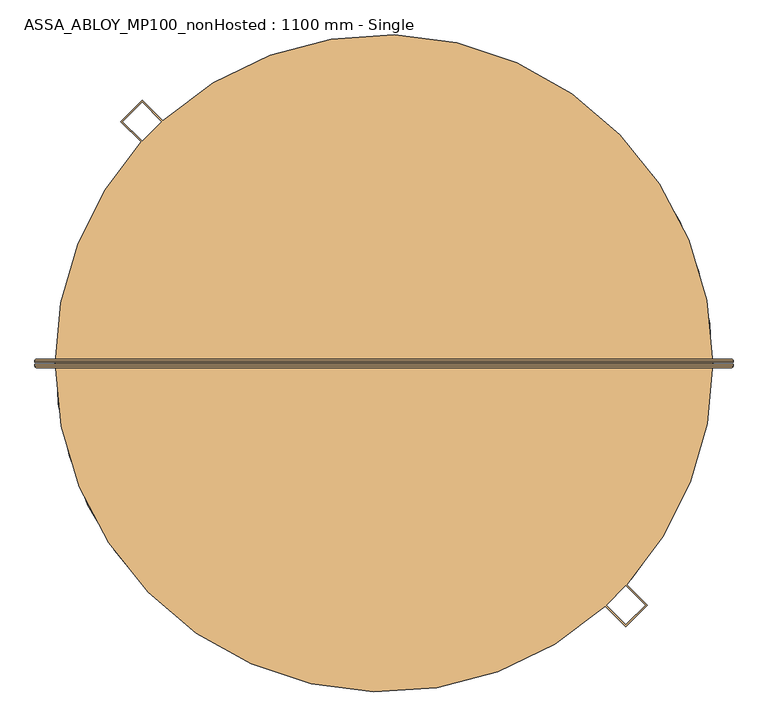
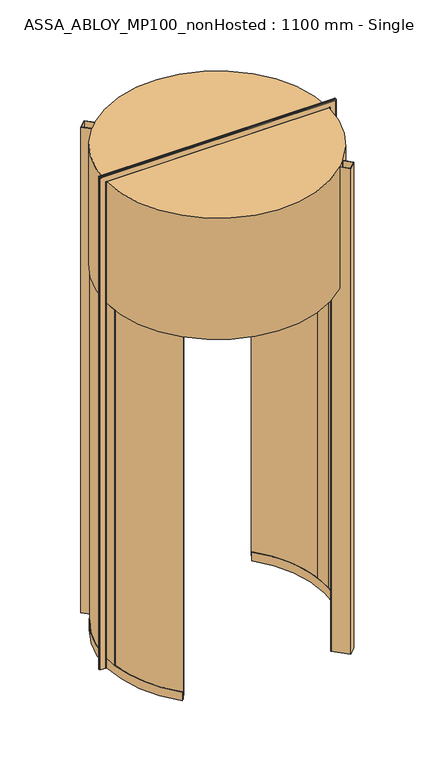
"""IFC4 building model written with IfcOpenShell, lengths in millimetres: door geometry, ASSA_ABLOY_MP100_nonHosted : 1100 mm - Single."""

from ifc_helpers import new_model, si_unit, point, frame, origin, origin_2d, place, context, project, spatial, polyline, circle_curve, ellipse_curve, trimmed, segment, composite_curve, outline, extrude, source, transform, mapped, element, save
from ifc_brep_helpers import plane_surface, cylinder_surface, revolved_surface, advanced_brep


def assa_abloy_mp100_nonhosted_1100_mm_single_d2178ea8(model_context):
    return source(origin(), model_context, "Body", "SolidModel", [
        advanced_brep(
        [(917.5980762, 11.0, 0.0), (921.5980762, 7.0, 0.0), (921.5980762, 3.0, 0.0), (919.5980762, 3.0, 0.0), (919.5980762, 7.0, 0.0), (917.5980762, 9.0, 0.0), (875.5980762, 9.0, 0.0), (873.5980762, 7.0, 0.0), (873.5980762, 3.0, 0.0), (871.5980762, 3.0, 0.0), (871.5980762, 7.0, 0.0), (875.5980762, 11.0, 0.0), (917.5980762, 11.0, 4050.9980762), (921.5980762, 7.0, 4054.9980762), (921.5980762, 3.0, 4054.9980762), (871.5980762, 7.0, 4004.9980762), (875.5980762, 11.0, 4008.9980762), (-875.5980762, 11.0, 4008.9980762), (-875.5980762, 11.0, 0.0), (-917.5980762, 11.0, 0.0), (-917.5980762, 11.0, 4050.9980762), (-921.5980762, 7.0, 4054.9980762), (-921.5980762, 3.0, 4054.9980762), (-871.5980762, 7.0, 4004.9980762), (-871.5980762, 7.0, 0.0), (-871.5980762, 3.0, 0.0), (-873.5980762, 3.0, 0.0), (-873.5980762, 7.0, 0.0), (-875.5980762, 9.0, 0.0), (-917.5980762, 9.0, 0.0), (-919.5980762, 7.0, 0.0), (-919.5980762, 3.0, 0.0), (-921.5980762, 3.0, 0.0), (-921.5980762, 7.0, 0.0), (-919.5980762, 3.0, 4052.9980762), (919.5980762, 3.0, 4052.9980762), (919.5980762, 7.0, 4052.9980762), (917.5980762, 9.0, 4050.9980762), (-917.5980762, 9.0, 4050.9980762), (-875.5980762, 9.0, 4008.9980762), (875.5980762, 9.0, 4008.9980762), (873.5980762, 7.0, 4006.9980762), (873.5980762, 3.0, 4006.9980762), (-873.5980762, 3.0, 4006.9980762), (-871.5980762, 3.0, 4004.9980762), (871.5980762, 3.0, 4004.9980762), (-919.5980762, 7.0, 4052.9980762), (-873.5980762, 7.0, 4006.9980762)],
        [
            (0, 1, circle_curve(frame((917.5980762, 7.0, 0.0), z_axis=(0.0, 0.0, -1.0), x_axis=(-1.0, 0.0, 0.0)), 4.0)),
            (1, 2),
            (2, 3),
            (3, 4),
            (4, 5, circle_curve(frame((917.5980762, 7.0, 0.0), z_axis=(0.0, 0.0, 1.0), x_axis=(-1.0, 0.0, 0.0)), 2.0)),
            (5, 6),
            (6, 7, circle_curve(frame((875.5980762, 7.0, 0.0), z_axis=(0.0, 0.0, 1.0), x_axis=(-1.0, 0.0, 0.0)), 2.0)),
            (7, 8),
            (8, 9),
            (9, 10),
            (10, 11, circle_curve(frame((875.5980762, 7.0, 0.0), z_axis=(0.0, 0.0, -1.0), x_axis=(-1.0, 0.0, 0.0)), 4.0)),
            (11, 0),
            (0, 12),
            (12, 13, ellipse_curve(frame((917.5980762, 7.0, 4050.9980762), z_axis=(0.7071067811865475, 0.0, -0.7071067811865475), x_axis=(-0.7071067811865474, 0.0, -0.7071067811865476)), 5.6568542, 4.0)),
            (13, 1),
            (13, 14),
            (14, 2),
            (10, 15),
            (15, 16, ellipse_curve(frame((875.5980762, 7.0, 4008.9980762), z_axis=(0.7071067811865475, 0.0, -0.7071067811865475), x_axis=(-0.7071067811865474, 0.0, -0.7071067811865476)), 5.6568542, 4.0)),
            (16, 11),
            (16, 17),
            (17, 18),
            (18, 19),
            (19, 20),
            (20, 12),
            (20, 21, ellipse_curve(frame((-917.5980762, 7.0, 4050.9980762), z_axis=(0.7071067811865475, 0.0, 0.7071067811865475), x_axis=(0.7071067811865476, 0.0, -0.7071067811865474)), 5.6568542, 4.0)),
            (21, 13),
            (21, 22),
            (22, 14),
            (15, 23),
            (23, 17, ellipse_curve(frame((-875.5980762, 7.0, 4008.9980762), z_axis=(0.7071067811865475, 0.0, 0.7071067811865475), x_axis=(0.7071067811865476, 0.0, -0.7071067811865474)), 5.6568542, 4.0)),
            (18, 24, circle_curve(frame((-875.5980762, 7.0, 0.0), z_axis=(0.0, 0.0, -1.0), x_axis=(1.0, 0.0, 0.0)), 4.0)),
            (24, 25),
            (25, 26),
            (26, 27),
            (27, 28, circle_curve(frame((-875.5980762, 7.0, 0.0), z_axis=(0.0, 0.0, 1.0), x_axis=(1.0, 0.0, 0.0)), 2.0)),
            (28, 29),
            (29, 30, circle_curve(frame((-917.5980762, 7.0, 0.0), z_axis=(0.0, 0.0, 1.0), x_axis=(1.0, 0.0, 0.0)), 2.0)),
            (30, 31),
            (31, 32),
            (32, 33),
            (33, 19, circle_curve(frame((-917.5980762, 7.0, 0.0), z_axis=(0.0, 0.0, -1.0), x_axis=(1.0, 0.0, 0.0)), 4.0)),
            (33, 21),
            (32, 22),
            (23, 24),
            (31, 34),
            (34, 35),
            (35, 3),
            (35, 36),
            (36, 4),
            (36, 37, ellipse_curve(frame((917.5980762, 7.0, 4050.9980762), z_axis=(-0.7071067811865475, 0.0, 0.7071067811865475), x_axis=(0.7071067811865474, 0.0, 0.7071067811865476)), 2.8284271, 2.0)),
            (37, 5),
            (37, 38),
            (38, 29),
            (28, 39),
            (39, 40),
            (40, 6),
            (40, 41, ellipse_curve(frame((875.5980762, 7.0, 4008.9980762), z_axis=(-0.7071067811865475, 0.0, 0.7071067811865475), x_axis=(0.7071067811865474, 0.0, 0.7071067811865476)), 2.8284271, 2.0)),
            (41, 7),
            (41, 42),
            (42, 8),
            (42, 43),
            (43, 26),
            (25, 44),
            (44, 45),
            (45, 9),
            (45, 15),
            (34, 46),
            (46, 36),
            (46, 38, ellipse_curve(frame((-917.5980762, 7.0, 4050.9980762), z_axis=(-0.7071067811865475, 0.0, -0.7071067811865475), x_axis=(-0.7071067811865476, 0.0, 0.7071067811865474)), 2.8284271, 2.0)),
            (39, 47, ellipse_curve(frame((-875.5980762, 7.0, 4008.9980762), z_axis=(-0.7071067811865475, 0.0, -0.7071067811865475), x_axis=(-0.7071067811865476, 0.0, 0.7071067811865474)), 2.8284271, 2.0)),
            (47, 41),
            (47, 43),
            (44, 23),
            (30, 46),
            (27, 47),
        ],
        [
            plane_surface(frame((871.6, 0.0, 0.0), z_axis=(0.0, 0.0, -1.0), x_axis=(0.0, -1.0, 0.0))),
            cylinder_surface(frame((917.5980762, 7.0, 0.0), z_axis=(0.0, 0.0, -1.0), x_axis=(-1.0, 0.0, 0.0)), 4.0),
            plane_surface(frame((921.5980762, 7.0, 0.0), z_axis=(1.0, 0.0, 0.0), x_axis=(0.0, 0.0, 1.0))),
            cylinder_surface(frame((875.5980762, 7.0, 0.0), z_axis=(0.0, 0.0, -1.0), x_axis=(-1.0, 0.0, 0.0)), 4.0),
            plane_surface(frame((875.5980762, 11.0, 0.0), z_axis=(0.0, 1.0, 0.0), x_axis=(0.0, 0.0, 1.0))),
            cylinder_surface(frame((871.6, 7.0, 4050.9980762), z_axis=(1.0, 0.0, 0.0), x_axis=(0.0, 0.0, -1.0)), 4.0),
            plane_surface(frame((921.5980762, 7.0, 4054.9980762), z_axis=(0.0, 0.0, 1.0), x_axis=(-1.0, 0.0, 0.0))),
            cylinder_surface(frame((871.6, 7.0, 4008.9980762), z_axis=(1.0, 0.0, 0.0), x_axis=(0.0, 0.0, -1.0)), 4.0),
            plane_surface(frame((-871.6, 0.0, 0.0), z_axis=(0.0, 0.0, -1.0), x_axis=(0.0, -1.0, 0.0))),
            cylinder_surface(frame((-917.5980762, 7.0, 4005.0), z_axis=(0.0, 0.0, 1.0), x_axis=(1.0, 0.0, 0.0)), 4.0),
            plane_surface(frame((-921.5980762, 7.0, 4054.9980762), z_axis=(-1.0, 0.0, 0.0), x_axis=(0.0, 0.0, -1.0))),
            cylinder_surface(frame((-875.5980762, 7.0, 4005.0), z_axis=(0.0, 0.0, 1.0), x_axis=(1.0, 0.0, 0.0)), 4.0),
            plane_surface(frame((921.5980762, 3.0, 0.0), z_axis=(0.0, -1.0, 0.0), x_axis=(0.0, 0.0, 1.0))),
            plane_surface(frame((919.5980762, 3.0, 0.0), z_axis=(-1.0, 0.0, 0.0), x_axis=(0.0, 0.0, 1.0))),
            revolved_surface(polyline([(915.5980762, 7.0, 4052.9980762), (915.5980762, 7.0, 0.0)]), (917.5980762, 7.0, 0.0), (0.0, 0.0, 1.0)),
            plane_surface(frame((917.5980762, 9.0, 0.0), z_axis=(0.0, -1.0, 0.0), x_axis=(0.0, 0.0, 1.0))),
            revolved_surface(polyline([(873.5980762, 7.0, 4010.998076182502), (873.5980762, 7.0, 0.0)]), (875.5980762, 7.0, 0.0), (0.0, 0.0, 1.0)),
            plane_surface(frame((873.5980762, 7.0, 0.0), z_axis=(1.0, 0.0, 0.0), x_axis=(0.0, 0.0, 1.0))),
            plane_surface(frame((873.5980762, 3.0, 0.0), z_axis=(0.0, -1.0, 0.0), x_axis=(0.0, 0.0, 1.0))),
            plane_surface(frame((871.5980762, 3.0, 0.0), z_axis=(-1.0, 0.0, 0.0), x_axis=(0.0, 0.0, 1.0))),
            plane_surface(frame((919.5980762, 3.0, 4052.9980762), z_axis=(0.0, 0.0, -1.0), x_axis=(-1.0, 0.0, 0.0))),
            revolved_surface(polyline([(-919.5980762, 7.0, 4048.9980762), (919.5980762, 7.0, 4048.9980762)]), (871.6, 7.0, 4050.9980762), (-1.0, 0.0, 0.0)),
            revolved_surface(polyline([(-877.5980761825018, 7.0, 4006.9980762), (877.5980761825018, 7.0, 4006.9980762)]), (871.6, 7.0, 4008.9980762), (-1.0, 0.0, 0.0)),
            plane_surface(frame((873.5980762, 7.0, 4006.9980762), z_axis=(0.0, 0.0, 1.0), x_axis=(-1.0, 0.0, 0.0))),
            plane_surface(frame((871.5980762, 3.0, 4004.9980762), z_axis=(0.0, 0.0, -1.0), x_axis=(-1.0, 0.0, 0.0))),
            plane_surface(frame((-919.5980762, 3.0, 4052.9980762), z_axis=(1.0, 0.0, 0.0), x_axis=(0.0, 0.0, -1.0))),
            revolved_surface(polyline([(-915.5980762, 7.0, 0.0), (-915.5980762, 7.0, 4052.9980762)]), (-917.5980762, 7.0, 4005.0), (0.0, 0.0, -1.0)),
            revolved_surface(polyline([(-873.5980762, 7.0, 0.0), (-873.5980762, 7.0, 4010.998076182502)]), (-875.5980762, 7.0, 4005.0), (0.0, 0.0, -1.0)),
            plane_surface(frame((-873.5980762, 7.0, 4006.9980762), z_axis=(-1.0, 0.0, 0.0), x_axis=(0.0, 0.0, -1.0))),
            plane_surface(frame((-871.5980762, 3.0, 4004.9980762), z_axis=(1.0, 0.0, 0.0), x_axis=(0.0, 0.0, -1.0))),
        ],
        [
            (0, [[1, 2, 3, 4, 5, 6, 7, 8, 9, 10, 11, 12]]),
            (1, [[-1, 13, 14, 15]]),
            (2, [[-2, -15, 16, 17]]),
            (3, [[-11, 18, 19, 20]]),
            (4, [[-12, -20, 21, 22, 23, 24, 25, -13]]),
            (5, [[-14, -25, 26, 27]]),
            (6, [[-16, -27, 28, 29]]),
            (7, [[-19, 30, 31, -21]]),
            (8, [[-23, 32, 33, 34, 35, 36, 37, 38, 39, 40, 41, 42]]),
            (9, [[-26, -24, -42, 43]]),
            (10, [[-28, -43, -41, 44]]),
            (11, [[-31, 45, -32, -22]]),
            (12, [[-3, -17, -29, -44, -40, 46, 47, 48]]),
            (13, [[-4, -48, 49, 50]]),
            (14, [[-5, -50, 51, 52]]),
            (15, [[-6, -52, 53, 54, -37, 55, 56, 57]]),
            (16, [[-7, -57, 58, 59]]),
            (17, [[-8, -59, 60, 61]]),
            (18, [[-9, -61, 62, 63, -34, 64, 65, 66]]),
            (19, [[-10, -66, 67, -18]]),
            (20, [[-49, -47, 68, 69]]),
            (21, [[-51, -69, 70, -53]]),
            (22, [[-58, -56, 71, 72]]),
            (23, [[-60, -72, 73, -62]]),
            (24, [[-67, -65, 74, -30]]),
            (25, [[-68, -46, -39, 75]]),
            (26, [[-70, -75, -38, -54]]),
            (27, [[-71, -55, -36, 76]]),
            (28, [[-73, -76, -35, -63]]),
            (29, [[-74, -64, -33, -45]]),
        ],
    ),
        advanced_brep(
        [(871.5980762, -3.0, 0.0), (873.5980762, -3.0, 0.0), (873.5980762, -7.0, 0.0), (875.5980762, -9.0, 0.0), (917.5980762, -9.0, 0.0), (919.5980762, -7.0, 0.0), (919.5980762, -3.0, 0.0), (921.5980762, -3.0, 0.0), (921.5980762, -7.0, 0.0), (917.5980762, -11.0, 0.0), (875.5980762, -11.0, 0.0), (871.5980762, -7.0, 0.0), (921.5980762, -7.0, 4054.9980762), (917.5980762, -11.0, 4050.9980762), (-917.5980762, -11.0, 4050.9980762), (-917.5980762, -11.0, 0.0), (-875.5980762, -11.0, 0.0), (-875.5980762, -11.0, 4008.9980762), (875.5980762, -11.0, 4008.9980762), (871.5980762, -7.0, 4004.9980762), (871.5980762, -3.0, 4004.9980762), (-921.5980762, -7.0, 4054.9980762), (-871.5980762, -7.0, 4004.9980762), (-871.5980762, -3.0, 4004.9980762), (-871.5980762, -3.0, 0.0), (-871.5980762, -7.0, 0.0), (-921.5980762, -7.0, 0.0), (-921.5980762, -3.0, 0.0), (-919.5980762, -3.0, 0.0), (-919.5980762, -7.0, 0.0), (-917.5980762, -9.0, 0.0), (-875.5980762, -9.0, 0.0), (-873.5980762, -7.0, 0.0), (-873.5980762, -3.0, 0.0), (-873.5980762, -3.0, 4006.9980762), (873.5980762, -3.0, 4006.9980762), (873.5980762, -7.0, 4006.9980762), (875.5980762, -9.0, 4008.9980762), (-875.5980762, -9.0, 4008.9980762), (-917.5980762, -9.0, 4050.9980762), (917.5980762, -9.0, 4050.9980762), (919.5980762, -7.0, 4052.9980762), (919.5980762, -3.0, 4052.9980762), (-919.5980762, -3.0, 4052.9980762), (-921.5980762, -3.0, 4054.9980762), (921.5980762, -3.0, 4054.9980762), (-873.5980762, -7.0, 4006.9980762), (-919.5980762, -7.0, 4052.9980762)],
        [
            (0, 1),
            (1, 2),
            (2, 3, circle_curve(frame((875.5980762, -7.0, 0.0), z_axis=(0.0, 0.0, 1.0), x_axis=(-1.0, 0.0, 0.0)), 2.0)),
            (3, 4),
            (4, 5, circle_curve(frame((917.5980762, -7.0, 0.0), z_axis=(0.0, 0.0, 1.0), x_axis=(-1.0, 0.0, 0.0)), 2.0)),
            (5, 6),
            (6, 7),
            (7, 8),
            (8, 9, circle_curve(frame((917.5980762, -7.0, 0.0), z_axis=(0.0, 0.0, -1.0), x_axis=(-1.0, 0.0, 0.0)), 4.0)),
            (9, 10),
            (10, 11, circle_curve(frame((875.5980762, -7.0, 0.0), z_axis=(0.0, 0.0, -1.0), x_axis=(-1.0, 0.0, 0.0)), 4.0)),
            (11, 0),
            (8, 12),
            (12, 13, ellipse_curve(frame((917.5980762, -7.0, 4050.9980762), z_axis=(0.7071067811865475, 0.0, -0.7071067811865475), x_axis=(-0.7071067811865474, 0.0, -0.7071067811865476)), 5.6568542, 4.0)),
            (13, 9),
            (13, 14),
            (14, 15),
            (15, 16),
            (16, 17),
            (17, 18),
            (18, 10),
            (18, 19, ellipse_curve(frame((875.5980762, -7.0, 4008.9980762), z_axis=(0.7071067811865475, 0.0, -0.7071067811865475), x_axis=(-0.7071067811865474, 0.0, -0.7071067811865476)), 5.6568542, 4.0)),
            (19, 11),
            (19, 20),
            (20, 0),
            (12, 21),
            (21, 14, ellipse_curve(frame((-917.5980762, -7.0, 4050.9980762), z_axis=(0.7071067811865475, 0.0, 0.7071067811865475), x_axis=(0.7071067811865476, 0.0, -0.7071067811865474)), 5.6568542, 4.0)),
            (17, 22, ellipse_curve(frame((-875.5980762, -7.0, 4008.9980762), z_axis=(0.7071067811865475, 0.0, 0.7071067811865475), x_axis=(0.7071067811865476, 0.0, -0.7071067811865474)), 5.6568542, 4.0)),
            (22, 19),
            (22, 23),
            (23, 20),
            (24, 25),
            (25, 16, circle_curve(frame((-875.5980762, -7.0, 0.0), z_axis=(0.0, 0.0, -1.0), x_axis=(1.0, 0.0, 0.0)), 4.0)),
            (15, 26, circle_curve(frame((-917.5980762, -7.0, 0.0), z_axis=(0.0, 0.0, -1.0), x_axis=(1.0, 0.0, 0.0)), 4.0)),
            (26, 27),
            (27, 28),
            (28, 29),
            (29, 30, circle_curve(frame((-917.5980762, -7.0, 0.0), z_axis=(0.0, 0.0, 1.0), x_axis=(1.0, 0.0, 0.0)), 2.0)),
            (30, 31),
            (31, 32, circle_curve(frame((-875.5980762, -7.0, 0.0), z_axis=(0.0, 0.0, 1.0), x_axis=(1.0, 0.0, 0.0)), 2.0)),
            (32, 33),
            (33, 24),
            (21, 26),
            (25, 22),
            (24, 23),
            (33, 34),
            (34, 35),
            (35, 1),
            (35, 36),
            (36, 2),
            (36, 37, ellipse_curve(frame((875.5980762, -7.0, 4008.9980762), z_axis=(-0.7071067811865475, 0.0, 0.7071067811865475), x_axis=(0.7071067811865474, 0.0, 0.7071067811865476)), 2.8284271, 2.0)),
            (37, 3),
            (37, 38),
            (38, 31),
            (30, 39),
            (39, 40),
            (40, 4),
            (40, 41, ellipse_curve(frame((917.5980762, -7.0, 4050.9980762), z_axis=(-0.7071067811865475, 0.0, 0.7071067811865475), x_axis=(0.7071067811865474, 0.0, 0.7071067811865476)), 2.8284271, 2.0)),
            (41, 5),
            (41, 42),
            (42, 6),
            (42, 43),
            (43, 28),
            (27, 44),
            (44, 45),
            (45, 7),
            (45, 12),
            (34, 46),
            (46, 36),
            (46, 38, ellipse_curve(frame((-875.5980762, -7.0, 4008.9980762), z_axis=(-0.7071067811865475, 0.0, -0.7071067811865475), x_axis=(-0.7071067811865476, 0.0, 0.7071067811865474)), 2.8284271, 2.0)),
            (39, 47, ellipse_curve(frame((-917.5980762, -7.0, 4050.9980762), z_axis=(-0.7071067811865475, 0.0, -0.7071067811865475), x_axis=(-0.7071067811865476, 0.0, 0.7071067811865474)), 2.8284271, 2.0)),
            (47, 41),
            (47, 43),
            (44, 21),
            (32, 46),
            (29, 47),
        ],
        [
            plane_surface(frame((871.6, 0.0, 0.0), z_axis=(0.0, 0.0, -1.0), x_axis=(0.0, -1.0, 0.0))),
            cylinder_surface(frame((917.5980762, -7.0, 0.0), z_axis=(0.0, 0.0, -1.0), x_axis=(-1.0, 0.0, 0.0)), 4.0),
            plane_surface(frame((917.5980762, -11.0, 0.0), z_axis=(0.0, -1.0, 0.0), x_axis=(0.0, 0.0, 1.0))),
            cylinder_surface(frame((875.5980762, -7.0, 0.0), z_axis=(0.0, 0.0, -1.0), x_axis=(-1.0, 0.0, 0.0)), 4.0),
            plane_surface(frame((871.5980762, -7.0, 0.0), z_axis=(-1.0, 0.0, 0.0), x_axis=(0.0, 0.0, 1.0))),
            cylinder_surface(frame((871.6, -7.0, 4050.9980762), z_axis=(1.0, 0.0, 0.0), x_axis=(0.0, 0.0, -1.0)), 4.0),
            cylinder_surface(frame((871.6, -7.0, 4008.9980762), z_axis=(1.0, 0.0, 0.0), x_axis=(0.0, 0.0, -1.0)), 4.0),
            plane_surface(frame((871.5980762, -7.0, 4004.9980762), z_axis=(0.0, 0.0, -1.0), x_axis=(-1.0, 0.0, 0.0))),
            plane_surface(frame((-871.6, 0.0, 0.0), z_axis=(0.0, 0.0, -1.0), x_axis=(0.0, -1.0, 0.0))),
            cylinder_surface(frame((-917.5980762, -7.0, 4005.0), z_axis=(0.0, 0.0, 1.0), x_axis=(1.0, 0.0, 0.0)), 4.0),
            cylinder_surface(frame((-875.5980762, -7.0, 4005.0), z_axis=(0.0, 0.0, 1.0), x_axis=(1.0, 0.0, 0.0)), 4.0),
            plane_surface(frame((-871.5980762, -7.0, 4004.9980762), z_axis=(1.0, 0.0, 0.0), x_axis=(0.0, 0.0, -1.0))),
            plane_surface(frame((871.5980762, -3.0, 0.0), z_axis=(0.0, 1.0, 0.0), x_axis=(0.0, 0.0, 1.0))),
            plane_surface(frame((873.5980762, -3.0, 0.0), z_axis=(1.0, 0.0, 0.0), x_axis=(0.0, 0.0, 1.0))),
            revolved_surface(polyline([(873.5980762, -7.0, 4010.998076182502), (873.5980762, -7.0, 0.0)]), (875.5980762, -7.0, 0.0), (0.0, 0.0, 1.0)),
            plane_surface(frame((875.5980762, -9.0, 0.0), z_axis=(0.0, 1.0, 0.0), x_axis=(0.0, 0.0, 1.0))),
            revolved_surface(polyline([(915.5980762, -7.0, 4052.9980762), (915.5980762, -7.0, 0.0)]), (917.5980762, -7.0, 0.0), (0.0, 0.0, 1.0)),
            plane_surface(frame((919.5980762, -7.0, 0.0), z_axis=(-1.0, 0.0, 0.0), x_axis=(0.0, 0.0, 1.0))),
            plane_surface(frame((919.5980762, -3.0, 0.0), z_axis=(0.0, 1.0, 0.0), x_axis=(0.0, 0.0, 1.0))),
            plane_surface(frame((921.5980762, -3.0, 0.0), z_axis=(1.0, 0.0, 0.0), x_axis=(0.0, 0.0, 1.0))),
            plane_surface(frame((873.5980762, -3.0, 4006.9980762), z_axis=(0.0, 0.0, 1.0), x_axis=(-1.0, 0.0, 0.0))),
            revolved_surface(polyline([(-877.5980761825018, -7.0, 4006.9980762), (877.5980761825018, -7.0, 4006.9980762)]), (871.6, -7.0, 4008.9980762), (-1.0, 0.0, 0.0)),
            revolved_surface(polyline([(-919.5980762, -7.0, 4048.9980762), (919.5980762, -7.0, 4048.9980762)]), (871.6, -7.0, 4050.9980762), (-1.0, 0.0, 0.0)),
            plane_surface(frame((919.5980762, -7.0, 4052.9980762), z_axis=(0.0, 0.0, -1.0), x_axis=(-1.0, 0.0, 0.0))),
            plane_surface(frame((921.5980762, -3.0, 4054.9980762), z_axis=(0.0, 0.0, 1.0), x_axis=(-1.0, 0.0, 0.0))),
            plane_surface(frame((-873.5980762, -3.0, 4006.9980762), z_axis=(-1.0, 0.0, 0.0), x_axis=(0.0, 0.0, -1.0))),
            revolved_surface(polyline([(-873.5980762, -7.0, 0.0), (-873.5980762, -7.0, 4010.998076182502)]), (-875.5980762, -7.0, 4005.0), (0.0, 0.0, -1.0)),
            revolved_surface(polyline([(-915.5980762, -7.0, 0.0), (-915.5980762, -7.0, 4052.9980762)]), (-917.5980762, -7.0, 4005.0), (0.0, 0.0, -1.0)),
            plane_surface(frame((-919.5980762, -7.0, 4052.9980762), z_axis=(1.0, 0.0, 0.0), x_axis=(0.0, 0.0, -1.0))),
            plane_surface(frame((-921.5980762, -3.0, 4054.9980762), z_axis=(-1.0, 0.0, 0.0), x_axis=(0.0, 0.0, -1.0))),
        ],
        [
            (0, [[1, 2, 3, 4, 5, 6, 7, 8, 9, 10, 11, 12]]),
            (1, [[-9, 13, 14, 15]]),
            (2, [[-10, -15, 16, 17, 18, 19, 20, 21]]),
            (3, [[-11, -21, 22, 23]]),
            (4, [[-12, -23, 24, 25]]),
            (5, [[-14, 26, 27, -16]]),
            (6, [[-22, -20, 28, 29]]),
            (7, [[-24, -29, 30, 31]]),
            (8, [[32, 33, -18, 34, 35, 36, 37, 38, 39, 40, 41, 42]]),
            (9, [[-27, 43, -34, -17]]),
            (10, [[-28, -19, -33, 44]]),
            (11, [[-30, -44, -32, 45]]),
            (12, [[-1, -25, -31, -45, -42, 46, 47, 48]]),
            (13, [[-2, -48, 49, 50]]),
            (14, [[-3, -50, 51, 52]]),
            (15, [[-4, -52, 53, 54, -39, 55, 56, 57]]),
            (16, [[-5, -57, 58, 59]]),
            (17, [[-6, -59, 60, 61]]),
            (18, [[-7, -61, 62, 63, -36, 64, 65, 66]]),
            (19, [[-8, -66, 67, -13]]),
            (20, [[-49, -47, 68, 69]]),
            (21, [[-51, -69, 70, -53]]),
            (22, [[-58, -56, 71, 72]]),
            (23, [[-60, -72, 73, -62]]),
            (24, [[-67, -65, 74, -26]]),
            (25, [[-68, -46, -41, 75]]),
            (26, [[-70, -75, -40, -54]]),
            (27, [[-71, -55, -38, 76]]),
            (28, [[-73, -76, -37, -63]]),
            (29, [[-74, -64, -35, -43]]),
        ],
    ),
        advanced_brep(
        [(-607.9102904, -588.4264452, 73.0), (-610.0658732, -590.5129405, 73.0), (-610.0658732, -590.5129405, 39.0), (-620.1252598, -600.2499185, 39.0), (-620.1252598, -600.2499185, 73.0), (-622.2808427, -602.3364137, 73.0), (-622.2808427, -602.3364137, 0.0), (-620.1252598, -600.2499185, 0.0), (-620.1252598, -600.2499185, 24.0), (-610.0658732, -590.5129405, 24.0), (-610.0658732, -590.5129405, 0.0), (-607.9102904, -588.4264452, 0.0), (-637.451694, 556.2876417, 73.0), (-637.451694, 556.2876417, 0.0), (-639.7120274, 558.2601763, 0.0), (-639.7120274, 558.2601763, 24.0), (-650.26025, 567.4653379, 24.0), (-650.26025, 567.4653379, 0.0), (-652.5205834, 569.4378726, 0.0), (-652.5205834, 569.4378726, 73.0), (-650.26025, 567.4653379, 73.0), (-650.26025, 567.4653379, 39.0), (-639.7120274, 558.2601763, 39.0), (-639.7120274, 558.2601763, 73.0), (-839.7525108, -103.035543, 73.0), (-842.7301806, -103.4008957, 73.0), (-848.5719004, 28.4891608, 73.0), (-845.5735897, 28.3884983, 73.0), (-862.5640158, 28.9589555, 73.0), (-856.6259685, -105.105911, 73.0), (-859.6036383, -105.4712638, 73.0), (-865.5623265, 29.0596181, 73.0), (-865.5623265, 29.0596181, 3000.0), (-859.6036383, -105.4712638, 3000.0), (-856.6259685, -105.105911, 3000.0), (-862.5640158, 28.9589555, 3000.0), (-845.5735897, 28.3884983, 3000.0), (-848.5719004, 28.4891608, 3000.0), (-842.7301806, -103.4008957, 3000.0), (-839.7525108, -103.035543, 3000.0)],
        [
            (0, 1),
            (1, 2),
            (2, 3),
            (3, 4),
            (4, 5),
            (5, 6),
            (6, 7),
            (7, 8),
            (8, 9),
            (9, 10),
            (10, 11),
            (11, 0),
            (12, 13),
            (13, 14),
            (14, 15),
            (15, 16),
            (16, 17),
            (17, 18),
            (18, 19),
            (19, 20),
            (20, 21),
            (21, 22),
            (22, 23),
            (23, 12),
            (0, 24, circle_curve(frame((0.0, 0.0, 73.0), z_axis=(0.0, 0.0, -1.0), x_axis=(-0.7185276169853758, -0.6954984282004648, 0.0)), 846.05)),
            (24, 25),
            (25, 1, circle_curve(frame((0.0, 0.0, 73.0), z_axis=(0.0, 0.0, 1.0), x_axis=(-0.7185276169853758, -0.6954984282004648, 0.0)), 849.05)),
            (23, 26, circle_curve(frame((0.0, 0.0, 73.0), z_axis=(0.0, 0.0, 1.0), x_axis=(-0.7185276169853758, -0.6954984282004648, 0.0)), 849.05)),
            (26, 27),
            (27, 12, circle_curve(frame((0.0, 0.0, 73.0), z_axis=(0.0, 0.0, -1.0), x_axis=(-0.7185276169853758, -0.6954984282004648, 0.0)), 846.05)),
            (25, 26, circle_curve(frame((0.0, 0.0, 73.0), z_axis=(0.0, 0.0, -1.0), x_axis=(-0.7185276169853758, -0.6954984282004648, 0.0)), 849.05)),
            (22, 2, circle_curve(frame((0.0, 0.0, 39.0), z_axis=(0.0, 0.0, 1.0), x_axis=(-0.7185276169853758, -0.6954984282004648, 0.0)), 849.05)),
            (21, 3, circle_curve(frame((0.0, 0.0, 39.0), z_axis=(0.0, 0.0, 1.0), x_axis=(-0.7185276169853758, -0.6954984282004648, 0.0)), 863.05)),
            (20, 28, circle_curve(frame((0.0, 0.0, 73.0), z_axis=(0.0, 0.0, 1.0), x_axis=(-0.7185276169853758, -0.6954984282004648, 0.0)), 863.05)),
            (28, 29, circle_curve(frame((0.0, 0.0, 73.0), z_axis=(0.0, 0.0, 1.0), x_axis=(-0.7185276169853758, -0.6954984282004648, 0.0)), 863.05)),
            (29, 4, circle_curve(frame((0.0, 0.0, 73.0), z_axis=(0.0, 0.0, 1.0), x_axis=(-0.7185276169853758, -0.6954984282004648, 0.0)), 863.05)),
            (29, 30),
            (30, 5, circle_curve(frame((0.0, 0.0, 73.0), z_axis=(0.0, 0.0, 1.0), x_axis=(-0.7185276169853758, -0.6954984282004648, 0.0)), 866.05)),
            (19, 31, circle_curve(frame((0.0, 0.0, 73.0), z_axis=(0.0, 0.0, 1.0), x_axis=(-0.7185276169853758, -0.6954984282004648, 0.0)), 866.05)),
            (31, 28),
            (30, 31, circle_curve(frame((0.0, 0.0, 73.0), z_axis=(0.0, 0.0, -1.0), x_axis=(-0.7185276169853758, -0.6954984282004648, 0.0)), 866.05)),
            (18, 6, circle_curve(frame((0.0, 0.0, 0.0), z_axis=(0.0, 0.0, 1.0), x_axis=(-0.7185276169853758, -0.6954984282004648, 0.0)), 866.05)),
            (17, 7, circle_curve(frame((0.0, 0.0, 0.0), z_axis=(0.0, 0.0, 1.0), x_axis=(-0.7185276169853758, -0.6954984282004648, 0.0)), 863.05)),
            (16, 8, circle_curve(frame((0.0, 0.0, 24.0), z_axis=(0.0, 0.0, 1.0), x_axis=(-0.7185276169853758, -0.6954984282004648, 0.0)), 863.05)),
            (15, 9, circle_curve(frame((0.0, 0.0, 24.0), z_axis=(0.0, 0.0, 1.0), x_axis=(-0.7185276169853758, -0.6954984282004648, 0.0)), 849.05)),
            (14, 10, circle_curve(frame((0.0, 0.0, 0.0), z_axis=(0.0, 0.0, 1.0), x_axis=(-0.7185276169853758, -0.6954984282004648, 0.0)), 849.05)),
            (13, 11, circle_curve(frame((0.0, 0.0, 0.0), z_axis=(0.0, 0.0, 1.0), x_axis=(-0.7185276169853758, -0.6954984282004648, 0.0)), 846.05)),
            (27, 24, circle_curve(frame((0.0, 0.0, 73.0), z_axis=(0.0, 0.0, 1.0), x_axis=(-0.7185276169853758, -0.6954984282004648, 0.0)), 846.05)),
            (32, 33, circle_curve(frame((0.0, 0.0, 3000.0), z_axis=(0.0, 0.0, 1.0), x_axis=(0.7071067811865459, -0.7071067811865491, 0.0)), 866.05)),
            (33, 34),
            (34, 35, circle_curve(frame((0.0, 0.0, 3000.0), z_axis=(0.0, 0.0, -1.0), x_axis=(0.7071067811865459, -0.7071067811865491, 0.0)), 863.05)),
            (35, 32),
            (32, 31),
            (30, 33),
            (29, 34),
            (28, 35),
            (36, 37),
            (37, 38, circle_curve(frame((0.0, 0.0, 3000.0), z_axis=(0.0, 0.0, 1.0), x_axis=(0.7071067811865459, -0.7071067811865492, 0.0)), 849.05)),
            (38, 39),
            (39, 36, circle_curve(frame((0.0, 0.0, 3000.0), z_axis=(0.0, 0.0, -1.0), x_axis=(0.7071067811865459, -0.7071067811865492, 0.0)), 846.05)),
            (36, 27),
            (26, 37),
            (25, 38),
            (24, 39),
        ],
        [
            plane_surface(frame((-615.0955665, -595.3814295, 0.0), z_axis=(0.6954984282004647, -0.7185276169853758, 0.0), x_axis=(0.0, 0.0, 1.0))),
            plane_surface(frame((-644.9861387, 562.8627571, 0.0), z_axis=(0.6575115438820531, 0.7534444701912936, 0.0), x_axis=(0.0, 0.0, 1.0))),
            plane_surface(frame((0.0, 0.0, 73.0), z_axis=(0.0, 0.0, 1.0), x_axis=(-0.7185276169853758, -0.6954984282004648, 0.0))),
            cylinder_surface(frame((0.0, 0.0, 0.0), z_axis=(0.0, 0.0, -1.0), x_axis=(-0.7185276169853758, -0.6954984282004648, 0.0)), 849.05),
            plane_surface(frame((0.0, 0.0, 39.0), z_axis=(0.0, 0.0, 1.0), x_axis=(-0.7185276169853758, -0.6954984282004648, 0.0))),
            revolved_surface(polyline([(-620.1252598392285, -600.2499184584111, 39.0), (-620.1252598392285, -600.2499184584111, 73.0)]), (0.0, 0.0, 0.0), (0.0, 0.0, -1.0)),
            cylinder_surface(frame((0.0, 0.0, 0.0), z_axis=(0.0, 0.0, -1.0), x_axis=(-0.7185276169853758, -0.6954984282004648, 0.0)), 866.05),
            plane_surface(frame((0.0, 0.0, 0.0), z_axis=(0.0, 0.0, -1.0), x_axis=(-0.7185276169853758, -0.6954984282004648, 0.0))),
            revolved_surface(polyline([(-620.1252598392285, -600.2499184584111, 0.0), (-620.1252598392285, -600.2499184584111, 24.0)]), (0.0, 0.0, 0.0), (0.0, 0.0, -1.0)),
            plane_surface(frame((0.0, 0.0, 24.0), z_axis=(0.0, 0.0, -1.0), x_axis=(-0.7185276169853758, -0.6954984282004648, 0.0))),
            revolved_surface(polyline([(-607.9102903504772, -588.4264451790032, 0.0), (-607.9102903504772, -588.4264451790032, 73.0)]), (0.0, 0.0, 0.0), (0.0, 0.0, -1.0)),
            plane_surface(frame((612.3898278, -612.3898278, 3000.0), z_axis=(0.0, 0.0, 1.0000000000000002), x_axis=(0.7071067811865492, 0.7071067811865459, 0.0))),
            cylinder_surface(frame((0.0, 0.0, 73.0), z_axis=(0.0, 0.0, 1.0), x_axis=(0.7071067811865459, -0.7071067811865491, 0.0)), 866.05),
            plane_surface(frame((-859.6036383, -105.4712638, 3000.0), z_axis=(0.12178426630285587, -0.9925565940948029, 0.0), x_axis=(0.0, 0.0, -1.0))),
            revolved_surface(polyline([(610.2685075030485, -610.2685075030512, 73.0), (610.2685075030485, -610.2685075030512, 3000.0)]), (0.0, 0.0, 73.0), (0.0, 0.0, -1.0)),
            plane_surface(frame((-862.5640158, 28.9589555, 3000.0), z_axis=(0.03355420367175991, 0.9994368991667029, 0.0), x_axis=(0.0, 0.0, -1.0))),
            plane_surface(frame((-845.5735897, 28.3884983, 3000.0), z_axis=(0.0, 0.0, 1.0000000000000002), x_axis=(-0.9994369000484605, 0.0335541774079422, 0.0))),
            plane_surface(frame((-845.5735897, 28.3884983, 3000.0), z_axis=(0.0335541774079422, 0.9994369000484605, 0.0), x_axis=(0.0, 0.0, -1.0))),
            cylinder_surface(frame((0.0, 0.0, 73.0), z_axis=(0.0, 0.0, 1.0000000000000002), x_axis=(0.7071067811865459, -0.7071067811865492, 0.0)), 849.05),
            plane_surface(frame((-842.7301806, -103.4008957, 3000.0), z_axis=(0.12178424015706274, -0.9925565973028273, 0.0), x_axis=(0.0, 0.0, -1.0))),
            revolved_surface(polyline([(598.2476922228772, -598.24769222288, 73.0), (598.2476922228772, -598.24769222288, 3000.000000000001)]), (0.0, 0.0, 73.0), (0.0, 0.0, -1.0000000000000002)),
        ],
        [
            (0, [[1, 2, 3, 4, 5, 6, 7, 8, 9, 10, 11, 12]]),
            (1, [[13, 14, 15, 16, 17, 18, 19, 20, 21, 22, 23, 24]]),
            (2, [[-1, 25, 26, 27]]),
            (2, [[-24, 28, 29, 30]]),
            (3, [[-2, -27, 31, -28, -23, 32]]),
            (4, [[-3, -32, -22, 33]]),
            (5, [[-4, -33, -21, 34, 35, 36]]),
            (2, [[-5, -36, 37, 38]]),
            (2, [[-20, 39, 40, -34]]),
            (6, [[-6, -38, 41, -39, -19, 42]]),
            (7, [[-7, -42, -18, 43]]),
            (8, [[-8, -43, -17, 44]]),
            (9, [[-9, -44, -16, 45]]),
            (3, [[-10, -45, -15, 46]]),
            (7, [[-11, -46, -14, 47]]),
            (10, [[-12, -47, -13, -30, 48, -25]]),
            (11, [[49, 50, 51, 52]]),
            (12, [[-49, 53, -41, 54]]),
            (13, [[-50, -54, -37, 55]]),
            (14, [[-51, -55, -35, 56]]),
            (15, [[-52, -56, -40, -53]]),
            (16, [[57, 58, 59, 60]]),
            (17, [[-57, 61, -29, 62]]),
            (18, [[-58, -62, -31, 63]]),
            (19, [[-59, -63, -26, 64]]),
            (20, [[-60, -64, -48, -61]]),
        ],
    ),
        advanced_brep(
        [(859.6022096, 105.4710885, 3000.0), (856.6245398, 105.1057357, 3000.0), (862.5625772, -28.9589072, 3000.0), (865.5608879, -29.0595698, 3000.0), (859.6022096, 105.4710885, 73.0), (856.6245398, 105.1057357, 73.0), (862.5625772, -28.9589072, 73.0), (865.5608879, -29.0595698, 73.0), (650.2618102, -567.4613609, 24.0), (650.2618102, -567.4613609, 0.0), (652.5221528, -569.433885, 0.0), (652.5221528, -569.433885, 73.0), (650.2618102, -567.4613609, 73.0), (650.2618102, -567.4613609, 39.0), (639.7135447, -558.2562485, 39.0), (639.7135447, -558.2562485, 73.0), (637.4532021, -556.2837244, 73.0), (637.4532021, -556.2837244, 0.0), (639.7135447, -558.2562485, 0.0), (639.7135447, -558.2562485, 24.0), (620.1261875, 600.2468904, 24.0), (610.0667691, 590.5099453, 24.0), (610.0667691, 590.5099453, 0.0), (607.9111794, 588.4234571, 0.0), (607.9111794, 588.4234571, 73.0), (610.0667691, 590.5099453, 73.0), (610.0667691, 590.5099453, 39.0), (620.1261875, 600.2468904, 39.0), (620.1261875, 600.2468904, 73.0), (622.2817772, 602.3333787, 73.0), (622.2817772, 602.3333787, 0.0), (620.1261875, 600.2468904, 0.0), (842.7287475, 103.400756, 73.0), (848.5704606, -28.4891483, 73.0), (845.5721499, -28.3884857, 73.0), (839.7510777, 103.0354032, 73.0), (839.7510777, 103.0354032, 3000.0), (845.5721499, -28.3884857, 3000.0), (848.5704606, -28.4891483, 3000.0), (842.7287475, 103.400756, 3000.0)],
        [
            (0, 1),
            (1, 2, circle_curve(frame((0.0, 0.0, 3000.0), z_axis=(0.0, 0.0, -1.0), x_axis=(-0.7071067811865481, -0.7071067811865469, 0.0)), 863.0485606)),
            (2, 3),
            (3, 0, circle_curve(frame((0.0, 0.0, 3000.0), z_axis=(0.0, 0.0, 1.0), x_axis=(-0.7071067811865481, -0.7071067811865469, 0.0)), 866.0485606)),
            (0, 4),
            (4, 5),
            (5, 1),
            (5, 6, circle_curve(frame((0.0, 0.0, 73.0), z_axis=(0.0, 0.0, -1.0), x_axis=(-0.7071067811865481, -0.7071067811865469, 0.0)), 863.0485606)),
            (6, 2),
            (6, 7),
            (7, 3),
            (7, 4, circle_curve(frame((0.0, 0.0, 73.0), z_axis=(0.0, 0.0, 1.0), x_axis=(-0.7071067811865481, -0.7071067811865469, 0.0)), 866.0485606)),
            (8, 9),
            (9, 10),
            (10, 11),
            (11, 12),
            (12, 13),
            (13, 14),
            (14, 15),
            (15, 16),
            (16, 17),
            (17, 18),
            (18, 19),
            (19, 8),
            (20, 21),
            (21, 22),
            (22, 23),
            (23, 24),
            (24, 25),
            (25, 26),
            (26, 27),
            (27, 28),
            (28, 29),
            (29, 30),
            (30, 31),
            (31, 20),
            (8, 20, circle_curve(frame((0.0, 0.0, 24.0), z_axis=(0.0, 0.0, 1.0), x_axis=(0.7534475345629611, -0.6575080323927575, 0.0)), 863.0485606)),
            (31, 9, circle_curve(frame((0.0, 0.0, 0.0), z_axis=(0.0, 0.0, -1.0), x_axis=(0.7534475345629611, -0.6575080323927575, 0.0)), 863.0485606)),
            (30, 10, circle_curve(frame((0.0, 0.0, 0.0), z_axis=(0.0, 0.0, -1.0), x_axis=(0.7534475345629611, -0.6575080323927575, 0.0)), 866.0485606)),
            (29, 4, circle_curve(frame((0.0, 0.0, 73.0), z_axis=(0.0, 0.0, -1.0), x_axis=(0.7534475345629611, -0.6575080323927575, 0.0)), 866.0485606)),
            (7, 11, circle_curve(frame((0.0, 0.0, 73.0), z_axis=(0.0, 0.0, -1.0), x_axis=(0.7534475345629611, -0.6575080323927575, 0.0)), 866.0485606)),
            (6, 12, circle_curve(frame((0.0, 0.0, 73.0), z_axis=(0.0, 0.0, -1.0), x_axis=(0.7534475345629611, -0.6575080323927575, 0.0)), 863.0485606)),
            (28, 5, circle_curve(frame((0.0, 0.0, 73.0), z_axis=(0.0, 0.0, -1.0), x_axis=(0.7534475345629611, -0.6575080323927575, 0.0)), 863.0485606)),
            (27, 13, circle_curve(frame((0.0, 0.0, 39.0), z_axis=(0.0, 0.0, -1.0), x_axis=(0.7534475345629611, -0.6575080323927575, 0.0)), 863.0485606)),
            (26, 14, circle_curve(frame((0.0, 0.0, 39.0), z_axis=(0.0, 0.0, -1.0), x_axis=(0.7534475345629611, -0.6575080323927575, 0.0)), 849.0485606)),
            (25, 32, circle_curve(frame((0.0, 0.0, 73.0), z_axis=(0.0, 0.0, -1.0), x_axis=(0.7534475345629611, -0.6575080323927575, 0.0)), 849.0485606)),
            (32, 33, circle_curve(frame((0.0, 0.0, 73.0), z_axis=(0.0, 0.0, -1.0), x_axis=(0.7534475345629611, -0.6575080323927575, 0.0)), 849.0485606)),
            (33, 15, circle_curve(frame((0.0, 0.0, 73.0), z_axis=(0.0, 0.0, -1.0), x_axis=(0.7534475345629611, -0.6575080323927575, 0.0)), 849.0485606)),
            (33, 34),
            (34, 16, circle_curve(frame((0.0, 0.0, 73.0), z_axis=(0.0, 0.0, -1.0), x_axis=(0.7534475345629611, -0.6575080323927575, 0.0)), 846.0485606)),
            (24, 35, circle_curve(frame((0.0, 0.0, 73.0), z_axis=(0.0, 0.0, -1.0), x_axis=(0.7534475345629611, -0.6575080323927575, 0.0)), 846.0485606)),
            (35, 32),
            (34, 35, circle_curve(frame((0.0, 0.0, 73.0), z_axis=(0.0, 0.0, 1.0), x_axis=(0.7534475345629611, -0.6575080323927575, 0.0)), 846.0485606)),
            (23, 17, circle_curve(frame((0.0, 0.0, 0.0), z_axis=(0.0, 0.0, -1.0), x_axis=(0.7534475345629611, -0.6575080323927575, 0.0)), 846.0485606)),
            (22, 18, circle_curve(frame((0.0, 0.0, 0.0), z_axis=(0.0, 0.0, -1.0), x_axis=(0.7534475345629611, -0.6575080323927575, 0.0)), 849.0485606)),
            (21, 19, circle_curve(frame((0.0, 0.0, 24.0), z_axis=(0.0, 0.0, -1.0), x_axis=(0.7534475345629611, -0.6575080323927575, 0.0)), 849.0485606)),
            (36, 37, circle_curve(frame((0.0, 0.0, 3000.0), z_axis=(0.0, 0.0, -1.0), x_axis=(-0.707106781186548, -0.707106781186547, 0.0)), 846.0485606)),
            (37, 38),
            (38, 39, circle_curve(frame((0.0, 0.0, 3000.0), z_axis=(0.0, 0.0, 1.0), x_axis=(-0.707106781186548, -0.707106781186547, 0.0)), 849.0485606)),
            (39, 36),
            (36, 35),
            (34, 37),
            (33, 38),
            (32, 39),
        ],
        [
            plane_surface(frame((859.6022096, 105.4710885, 3000.0), z_axis=(0.0, 0.0, 1.0), x_axis=(-0.9925565940949339, -0.12178426630178706, 0.0))),
            plane_surface(frame((859.6022096, 105.4710885, 3000.0), z_axis=(-0.12178426630178706, 0.9925565940949339, 0.0), x_axis=(0.0, 0.0, -1.0))),
            revolved_surface(polyline([(-610.2674896935495, -610.2674896935484, 73.0), (-610.2674896935495, -610.2674896935484, 3000.0)]), (0.0, 0.0, 73.0), (0.0, 0.0, -1.0)),
            plane_surface(frame((862.5625772, -28.9589072, 3000.0), z_axis=(-0.033554203673903625, -0.9994368991666308, 0.0), x_axis=(0.0, 0.0, -1.0))),
            cylinder_surface(frame((0.0, 0.0, 73.0), z_axis=(0.0, 0.0, 1.0), x_axis=(-0.7071067811865481, -0.7071067811865469, 0.0)), 866.0485606),
            plane_surface(frame((644.9876774, -562.8588047, 0.0), z_axis=(-0.6575080323927576, -0.7534475345629612, 0.0), x_axis=(0.0, 0.0, 1.0))),
            plane_surface(frame((615.0964783, 595.3784179, 0.0), z_axis=(-0.6954960796328972, 0.7185298902726808, 0.0), x_axis=(0.0, 0.0, 1.0))),
            revolved_surface(polyline([(650.2618101921823, -567.4613609395075, 24.0), (650.2618101921823, -567.4613609395075, 0.0)]), (0.0, 0.0, 0.0), (0.0, 0.0, 1.0)),
            plane_surface(frame((0.0, 0.0, 0.0), z_axis=(0.0, 0.0, -1.0), x_axis=(0.7534475345629612, -0.6575080323927576, 0.0))),
            cylinder_surface(frame((0.0, 0.0, 0.0), z_axis=(0.0, 0.0, 1.0), x_axis=(0.7534475345629611, -0.6575080323927575, 0.0)), 866.0485606),
            plane_surface(frame((0.0, 0.0, 73.0), z_axis=(0.0, 0.0, 1.0), x_axis=(0.7534475345629612, -0.6575080323927576, 0.0))),
            revolved_surface(polyline([(650.2618101921823, -567.4613609395075, 73.0), (650.2618101921823, -567.4613609395075, 39.0)]), (0.0, 0.0, 0.0), (0.0, 0.0, 1.0)),
            plane_surface(frame((0.0, 0.0, 39.0), z_axis=(0.0, 0.0, 1.0), x_axis=(0.7534475345629612, -0.6575080323927576, 0.0))),
            cylinder_surface(frame((0.0, 0.0, 0.0), z_axis=(0.0, 0.0, 1.0), x_axis=(0.7534475345629611, -0.6575080323927575, 0.0)), 849.0485606),
            revolved_surface(polyline([(637.4532021046119, -556.2837243888306, 73.0), (637.4532021046119, -556.2837243888306, 0.0)]), (0.0, 0.0, 0.0), (0.0, 0.0, 1.0)),
            plane_surface(frame((0.0, 0.0, 24.0), z_axis=(0.0, 0.0, -1.0), x_axis=(0.7534475345629612, -0.6575080323927576, 0.0))),
            plane_surface(frame((-598.2466744, -598.2466744, 3000.0), z_axis=(0.0, 0.0, 1.0), x_axis=(-0.707106781186547, 0.707106781186548, 0.0))),
            revolved_surface(polyline([(-598.2466744133781, -598.2466744133773, 73.0), (-598.2466744133781, -598.2466744133773, 3000.0)]), (0.0, 0.0, 73.0), (0.0, 0.0, -1.0)),
            plane_surface(frame((845.5721499, -28.3884857, 3000.0), z_axis=(-0.03355420366940632, -0.9994368991667819, 0.0), x_axis=(0.0, 0.0, -1.0))),
            cylinder_surface(frame((0.0, 0.0, 73.0), z_axis=(0.0, 0.0, 1.0), x_axis=(-0.707106781186548, -0.707106781186547, 0.0)), 849.0485606),
            plane_surface(frame((842.7287475, 103.400756, 3000.0), z_axis=(-0.12178426629806555, 0.9925565940953907, 0.0), x_axis=(0.0, 0.0, -1.0))),
        ],
        [
            (0, [[1, 2, 3, 4]]),
            (1, [[-1, 5, 6, 7]]),
            (2, [[-2, -7, 8, 9]]),
            (3, [[-3, -9, 10, 11]]),
            (4, [[-4, -11, 12, -5]]),
            (5, [[13, 14, 15, 16, 17, 18, 19, 20, 21, 22, 23, 24]]),
            (6, [[25, 26, 27, 28, 29, 30, 31, 32, 33, 34, 35, 36]]),
            (7, [[-13, 37, -36, 38]]),
            (8, [[-14, -38, -35, 39]]),
            (9, [[-15, -39, -34, 40, -12, 41]]),
            (10, [[-16, -41, -10, 42]]),
            (10, [[-33, 43, -6, -40]]),
            (11, [[-17, -42, -8, -43, -32, 44]]),
            (12, [[-18, -44, -31, 45]]),
            (13, [[-19, -45, -30, 46, 47, 48]]),
            (10, [[-20, -48, 49, 50]]),
            (10, [[-29, 51, 52, -46]]),
            (14, [[-21, -50, 53, -51, -28, 54]]),
            (8, [[-22, -54, -27, 55]]),
            (13, [[-23, -55, -26, 56]]),
            (15, [[-24, -56, -25, -37]]),
            (16, [[57, 58, 59, 60]]),
            (17, [[-57, 61, -53, 62]]),
            (18, [[-58, -62, -49, 63]]),
            (19, [[-59, -63, -47, 64]]),
            (20, [[-60, -64, -52, -61]]),
        ],
    ),
        advanced_brep(
        [(638.16387, -694.7324125, 4000.0), (694.7324125, -638.16387, 4000.0), (641.04697, -584.4784275, 4000.0), (867.5, 0.0, 4000.0), (-584.4784275, 641.04697, 4000.0), (-638.16387, 694.7324125, 4000.0), (-694.7324125, 638.16387, 4000.0), (-641.04697, 584.4784275, 4000.0), (-867.5, 0.0, 4000.0), (584.4784275, -641.04697, 4000.0), (689.0755583, -638.16387, 4000.0), (638.16387, -689.0755583, 4000.0), (587.4308705, -638.3425588, 4000.0), (638.3425588, -587.4308705, 4000.0), (-587.4308705, 638.3425588, 4000.0), (-638.3425588, 587.4308705, 4000.0), (-689.0755583, 638.16387, 4000.0), (-638.16387, 689.0755583, 4000.0), (584.4784275, -641.04697, 3000.0), (-867.5, 0.0, 3000.0), (-641.04697, 584.4784275, 3000.0), (-595.7374631, 539.1689207, 3000.0), (-539.1689207, 595.7374631, 3000.0), (-584.4784275, 641.04697, 3000.0), (867.5, 0.0, 3000.0), (641.04697, -584.4784275, 3000.0), (595.7374631, -539.1689207, 3000.0), (539.1689207, -595.7374631, 3000.0), (638.3425588, -587.4308705, 3000.0), (587.4308705, -638.3425588, 3000.0), (544.8257749, -595.7374631, 3000.0), (595.7374631, -544.8257749, 3000.0), (-638.3425588, 587.4308705, 3000.0), (-587.4308705, 638.3425588, 3000.0), (-544.8257749, 595.7374631, 3000.0), (-595.7374631, 544.8257749, 3000.0), (638.16387, -694.7324125, 0.0), (539.1689207, -595.7374631, 0.0), (595.7374631, -539.1689207, 0.0), (694.7324125, -638.16387, 0.0), (595.7374631, -544.8257749, 0.0), (544.8257749, -595.7374631, 0.0), (638.16387, -689.0755583, 0.0), (689.0755583, -638.16387, 0.0), (-539.1689207, 595.7374631, 0.0), (-595.7374631, 539.1689207, 0.0), (-694.7324125, 638.16387, 0.0), (-638.16387, 694.7324125, 0.0), (-689.0755583, 638.16387, 0.0), (-595.7374631, 544.8257749, 0.0), (-544.8257749, 595.7374631, 0.0), (-638.16387, 689.0755583, 0.0)],
        [
            (0, 1),
            (1, 2),
            (2, 3, circle_curve(frame((0.0, 0.0, 4000.0), z_axis=(0.0, 0.0, 1.0), x_axis=(1.0, 0.0, 0.0)), 867.5)),
            (3, 4, circle_curve(frame((0.0, 0.0, 4000.0), z_axis=(0.0, 0.0, 1.0), x_axis=(1.0, 0.0, 0.0)), 867.5)),
            (4, 5),
            (5, 6),
            (6, 7),
            (7, 8, circle_curve(frame((0.0, 0.0, 4000.0), z_axis=(0.0, 0.0, 1.0), x_axis=(1.0, 0.0, 0.0)), 867.5)),
            (8, 9, circle_curve(frame((0.0, 0.0, 4000.0), z_axis=(0.0, 0.0, 1.0), x_axis=(1.0, 0.0, 0.0)), 867.5)),
            (9, 0),
            (10, 11),
            (11, 12),
            (12, 13, circle_curve(frame((0.0, 0.0, 4000.0), z_axis=(0.0, 0.0, 1.0), x_axis=(1.0, 0.0, 0.0)), 867.5)),
            (13, 10),
            (14, 15, circle_curve(frame((0.0, 0.0, 4000.0), z_axis=(0.0, 0.0, 1.0), x_axis=(1.0, 0.0, 0.0)), 867.5)),
            (15, 16),
            (16, 17),
            (17, 14),
            (18, 19, circle_curve(frame((0.0, 0.0, 3000.0), z_axis=(0.0, 0.0, -1.0), x_axis=(1.0, 0.0, 0.0)), 867.5)),
            (19, 20, circle_curve(frame((0.0, 0.0, 3000.0), z_axis=(0.0, 0.0, -1.0), x_axis=(1.0, 0.0, 0.0)), 867.5)),
            (20, 21),
            (21, 22),
            (22, 23),
            (23, 24, circle_curve(frame((0.0, 0.0, 3000.0), z_axis=(0.0, 0.0, -1.0), x_axis=(1.0, 0.0, 0.0)), 867.5)),
            (24, 25, circle_curve(frame((0.0, 0.0, 3000.0), z_axis=(0.0, 0.0, -1.0), x_axis=(1.0, 0.0, 0.0)), 867.5)),
            (25, 26),
            (26, 27),
            (27, 18),
            (28, 29, circle_curve(frame((0.0, 0.0, 3000.0), z_axis=(0.0, 0.0, -1.0), x_axis=(1.0, 0.0, 0.0)), 867.5)),
            (29, 30),
            (30, 31),
            (31, 28),
            (32, 33, circle_curve(frame((0.0, 0.0, 3000.0), z_axis=(0.0, 0.0, -1.0), x_axis=(1.0, 0.0, 0.0)), 867.5)),
            (33, 34),
            (34, 35),
            (35, 32),
            (12, 29),
            (28, 13),
            (8, 19),
            (18, 9),
            (24, 3),
            (2, 25),
            (14, 33),
            (32, 15),
            (7, 20),
            (23, 4),
            (36, 37),
            (37, 38),
            (38, 39),
            (39, 36),
            (40, 41),
            (41, 42),
            (42, 43),
            (43, 40),
            (36, 0),
            (27, 37),
            (26, 38),
            (1, 39),
            (40, 31),
            (30, 41),
            (11, 42),
            (10, 43),
            (44, 45),
            (45, 46),
            (46, 47),
            (47, 44),
            (48, 49),
            (49, 50),
            (50, 51),
            (51, 48),
            (44, 22),
            (21, 45),
            (6, 46),
            (5, 47),
            (48, 16),
            (35, 49),
            (34, 50),
            (17, 51),
        ],
        [
            plane_surface(frame((867.5, 0.0, 4000.0), z_axis=(0.0, 0.0, 1.0), x_axis=(0.0, 1.0, 0.0))),
            plane_surface(frame((867.5, 0.0, 3000.0), z_axis=(0.0, 0.0, -1.0), x_axis=(0.0, -1.0, 0.0))),
            cylinder_surface(frame((0.0, 0.0, 3000.0), z_axis=(0.0, 0.0, 1.0), x_axis=(1.0, 0.0, 0.0)), 867.5),
            plane_surface(frame((613.4151327, -613.4151327, 0.0), z_axis=(0.0, 0.0, -1.0), x_axis=(0.707106781186546, -0.7071067811865491, 0.0))),
            plane_surface(frame((638.16387, -694.7324125, 0.0), z_axis=(-0.7071067811865492, -0.7071067811865459, 0.0), x_axis=(0.0, 0.0, 1.0))),
            plane_surface(frame((539.1689207, -595.7374631, 0.0), z_axis=(-0.7071067811865462, 0.7071067811865488, 0.0), x_axis=(0.0, 0.0, 1.0))),
            plane_surface(frame((595.7374631, -539.1689207, 0.0), z_axis=(0.7071067811865495, 0.7071067811865456, 0.0), x_axis=(0.0, 0.0, 1.0))),
            plane_surface(frame((694.7324125, -638.16387, 0.0), z_axis=(0.7071067811865458, -0.7071067811865492, 0.0), x_axis=(0.0, 0.0, 1.0))),
            plane_surface(frame((595.7374631, -544.8257749, 0.0), z_axis=(0.7071067811865461, -0.707106781186549, 0.0), x_axis=(0.0, 0.0, 1.0))),
            plane_surface(frame((544.8257749, -595.7374631, 0.0), z_axis=(0.7071067811865491, 0.707106781186546, 0.0), x_axis=(0.0, 0.0, 1.0))),
            plane_surface(frame((638.16387, -689.0755583, 0.0), z_axis=(-0.7071067811865457, 0.7071067811865493, 0.0), x_axis=(0.0, 0.0, 1.0))),
            plane_surface(frame((689.0755583, -638.16387, 0.0), z_axis=(-0.7071067811865493, -0.7071067811865458, 0.0), x_axis=(0.0, 0.0, 1.0))),
            plane_surface(frame((-613.4151327, 613.4151327, 0.0), z_axis=(0.0, 0.0, -1.0), x_axis=(-0.707106781186546, 0.7071067811865491, 0.0))),
            plane_surface(frame((-539.1689207, 595.7374631, 0.0), z_axis=(0.7071067811865458, -0.7071067811865492, 0.0), x_axis=(0.0, 0.0, 1.0))),
            plane_surface(frame((-595.7374631, 539.1689207, 0.0), z_axis=(-0.7071067811865492, -0.7071067811865459, 0.0), x_axis=(0.0, 0.0, 1.0))),
            plane_surface(frame((-694.7324125, 638.16387, 0.0), z_axis=(-0.7071067811865468, 0.7071067811865485, 0.0), x_axis=(0.0, 0.0, 1.0))),
            plane_surface(frame((-638.16387, 694.7324125, 0.0), z_axis=(0.7071067811865488, 0.7071067811865464, 0.0), x_axis=(0.0, 0.0, 1.0))),
            plane_surface(frame((-689.0755583, 638.16387, 0.0), z_axis=(0.7071067811865488, 0.7071067811865462, 0.0), x_axis=(0.0, 0.0, 1.0))),
            plane_surface(frame((-595.7374631, 544.8257749, 0.0), z_axis=(-0.7071067811865461, 0.7071067811865489, 0.0), x_axis=(0.0, 0.0, 1.0))),
            plane_surface(frame((-544.8257749, 595.7374631, 0.0), z_axis=(-0.7071067811865486, -0.7071067811865465, 0.0), x_axis=(0.0, 0.0, 1.0))),
            plane_surface(frame((-638.16387, 689.0755583, 0.0), z_axis=(0.7071067811865457, -0.7071067811865493, 0.0), x_axis=(0.0, 0.0, 1.0))),
        ],
        [
            (0, [[1, 2, 3, 4, 5, 6, 7, 8, 9, 10], [11, 12, 13, 14], [15, 16, 17, 18]]),
            (1, [[19, 20, 21, 22, 23, 24, 25, 26, 27, 28]]),
            (1, [[29, 30, 31, 32]]),
            (1, [[33, 34, 35, 36]]),
            (2, [[-13, 37, -29, 38]]),
            (2, [[39, -19, 40, -9]]),
            (2, [[41, -3, 42, -25]]),
            (2, [[-15, 43, -33, 44]]),
            (2, [[-39, -8, 45, -20]]),
            (2, [[-41, -24, 46, -4]]),
            (3, [[47, 48, 49, 50], [51, 52, 53, 54]]),
            (4, [[-47, 55, -10, -40, -28, 56]]),
            (5, [[-48, -56, -27, 57]]),
            (6, [[-49, -57, -26, -42, -2, 58]]),
            (7, [[-50, -58, -1, -55]]),
            (8, [[-51, 59, -31, 60]]),
            (9, [[-52, -60, -30, -37, -12, 61]]),
            (10, [[-53, -61, -11, 62]]),
            (11, [[-54, -62, -14, -38, -32, -59]]),
            (12, [[63, 64, 65, 66], [67, 68, 69, 70]]),
            (13, [[-63, 71, -22, 72]]),
            (14, [[-64, -72, -21, -45, -7, 73]]),
            (15, [[-65, -73, -6, 74]]),
            (16, [[-66, -74, -5, -46, -23, -71]]),
            (17, [[-67, 75, -16, -44, -36, 76]]),
            (18, [[-68, -76, -35, 77]]),
            (19, [[-69, -77, -34, -43, -18, 78]]),
            (20, [[-70, -78, -17, -75]]),
        ],
    ),
        extrude(outline(composite_curve([segment(trimmed(circle_curve(origin_2d(), 851.05), [point((-638.4137606, 562.7734649))], [point((-608.0767577, -595.4231766))], True, "CARTESIAN"), True, "CONTINUOUS"), segment(polyline([(-608.0767577, -595.4231766), (-615.2217757, -602.4195126)]), True, "CONTINUOUS"), segment(trimmed(circle_curve(origin_2d(), 861.05), [point((-615.2217757, -602.4195126))], [point((-645.9152442, 569.3861606))], False, "CARTESIAN"), True, "CONTINUOUS"), segment(polyline([(-645.9152442, 569.3861606), (-638.4137606, 562.7734649)]), True, "CONTINUOUS")], self_intersect=False)), frame((0.0, 0.0, 39.0), z_axis=(0.0, 0.0, 1.0), x_axis=(1.0, 0.0, 0.0)), (0.0, 0.0, 1.0), 2961.0),
        extrude(outline(composite_curve([segment(trimmed(circle_curve(origin_2d(), 861.0485606), [point((615.2207579, 602.4184947))], [point((645.7142523, -569.6119101))], False, "CARTESIAN"), True, "CONTINUOUS"), segment(polyline([(645.7142523, -569.6119101), (638.2150904, -562.9965815)]), True, "CONTINUOUS"), segment(trimmed(circle_curve(origin_2d(), 851.0485606), [point((638.2150904, -562.9965815))], [point((608.0757398, 595.4221588))], True, "CARTESIAN"), True, "CONTINUOUS"), segment(polyline([(608.0757398, 595.4221588), (615.2207579, 602.4184947)]), True, "CONTINUOUS")], self_intersect=False)), frame((0.0, 0.0, 39.0), z_axis=(0.0, 0.0, 1.0), x_axis=(1.0, 0.0, 0.0)), (0.0, 0.0, 1.0), 2961.0),
    ])


if __name__ == "__main__":
    model = new_model("IFC4")
    model_context = context("Model", 3, world=origin())
    ifc_project = project(units=[si_unit("LENGTHUNIT", "METRE", prefix="MILLI")], contexts=[model_context])
    site = spatial("IfcSite", under=ifc_project)
    building = spatial("IfcBuilding", under=site)
    placement = place(None, origin())
    assa_abloy_mp100_nonhosted_1100_mm_single_shape = assa_abloy_mp100_nonhosted_1100_mm_single_d2178ea8(model_context)
    element("IfcDoor", 1, ObjectType="ASSA_ABLOY_MP100_nonHosted : 1100 mm - Single", at=placement, inside=building, context=model_context, shape_type="MappedRepresentation", body=[
        mapped(assa_abloy_mp100_nonhosted_1100_mm_single_shape, transform((0.0, 0.0, 0.0), x_axis=(1.0, 0.0, 0.0), y_axis=(0.0, 1.0, 0.0), z_axis=(0.0, 0.0, 1.0))),
    ])
    save(model, "model.ifc")
